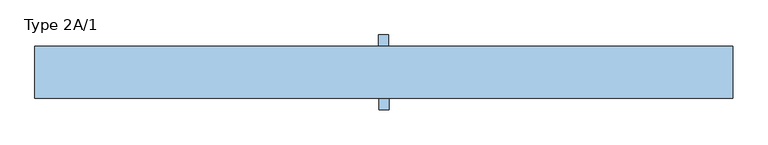
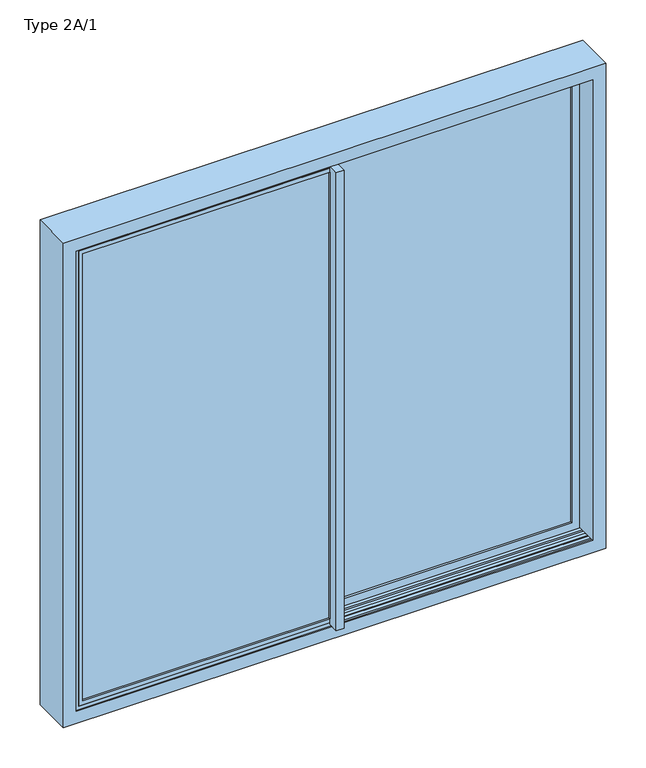
"""IFC4 building model written with IfcOpenShell, lengths in millimetres: window geometry, Type 2A/1."""

import ifcopenshell
import ifcopenshell.guid

model = None  # the IFC model being written
_history = None  # IfcOwnerHistory: only IFC2X3 demands one
_inside = {}  # id of a spatial element -> (the spatial element, [elements in it])
_under = {}  # id of a project, library or spatial element -> (it, [spatial elements below it])
_declared = {}  # id of a project -> (the project, [libraries it declares])
_typed = {}  # id of a type object -> (the type object, [elements of that type])
_made_of = {}  # id of a material, layer set ... -> (it, [elements and type objects made of it])


def new_model(schema):
    """Start an empty IFC model of exactly this schema.

    Asked for "IFC4X3", IfcOpenShell would pick the latest addendum, in which some entities
    have other attributes; the version numbers below select the first issue.
    IFC2X3 requires an IfcOwnerHistory on every rooted entity: one is made here for all.
    """
    global model, _history
    if schema == "IFC4X3":
        model = ifcopenshell.file(schema_version=(4, 3, 0, 0))
    else:
        model = ifcopenshell.file(schema=schema)
    _inside.clear()
    _under.clear()
    _declared.clear()
    _typed.clear()
    _made_of.clear()
    _history = None
    if model.schema == "IFC2X3":
        org = make("IfcOrganization", Name="unknown")
        user = make(
            "IfcPersonAndOrganization",
            ThePerson=make("IfcPerson", FamilyName="unknown"),
            TheOrganization=org,
        )
        app = make(
            "IfcApplication",
            ApplicationDeveloper=org,
            Version="unknown",
            ApplicationFullName="unknown",
            ApplicationIdentifier="unknown",
        )
        _history = make(
            "IfcOwnerHistory",
            OwningUser=user,
            OwningApplication=app,
            ChangeAction="ADDED",
            CreationDate=0,
        )
    return model


def make(cls, **values):
    """One entity of the class cls with the attributes given. An attribute that is None is left unset."""
    return model.create_entity(
        cls, **{name: value for name, value in values.items() if value is not None}
    )


def rooted(cls, **values):
    """An entity with a GlobalId (a new one), such as an element, a storey or a relation."""
    return make(cls, GlobalId=ifcopenshell.guid.new(), OwnerHistory=_history, **values)


def si_unit(unit_type, name, prefix=None):
    """IfcSIUnit, for example si_unit("LENGTHUNIT", "METRE", prefix="MILLI")."""
    return make("IfcSIUnit", UnitType=unit_type, Prefix=prefix, Name=name)


def assignment(units):
    """IfcUnitAssignment: the units of a project."""
    return None if units is None else make("IfcUnitAssignment", Units=units)


def point(xyz):
    """IfcCartesianPoint."""
    return None if xyz is None else make("IfcCartesianPoint", Coordinates=xyz)


def direction(xyz):
    """IfcDirection."""
    return None if xyz is None else make("IfcDirection", DirectionRatios=xyz)


def frame(location, z_axis=None, x_axis=None):
    """IfcAxis2Placement3D, a coordinate frame: its origin and axes. An axis left out is left unset."""
    return make(
        "IfcAxis2Placement3D",
        Location=point(location),
        Axis=direction(z_axis),
        RefDirection=direction(x_axis),
    )


def origin():
    """The frame at (0, 0, 0) with its axes left unset."""
    return frame((0.0, 0.0, 0.0))


def origin_with_axes():
    """The frame at (0, 0, 0) with the z axis (0, 0, 1) and the x axis (1, 0, 0) written out."""
    return frame((0.0, 0.0, 0.0), z_axis=(0.0, 0.0, 1.0), x_axis=(1.0, 0.0, 0.0))


def place(relative_to, where):
    """IfcLocalPlacement: puts the frame where relative to a parent placement (None: the world)."""
    return make(
        "IfcLocalPlacement", PlacementRelTo=relative_to, RelativePlacement=where
    )


def context(
    kind, dimensions, precision=None, world=None, true_north=None, identifier=None
):
    """IfcGeometricRepresentationContext, for example the 3D "Model" context."""
    return make(
        "IfcGeometricRepresentationContext",
        ContextIdentifier=identifier,
        ContextType=kind,
        CoordinateSpaceDimension=dimensions,
        Precision=precision,
        WorldCoordinateSystem=world,
        TrueNorth=true_north,
    )


def project(units=None, contexts=None):
    """IfcProject with its units and contexts."""
    return rooted(
        "IfcProject",
        Name="project",
        RepresentationContexts=contexts,
        UnitsInContext=assignment(units),
    )


def spatial(cls, under=None, at=None, **own):
    """A site, building, storey or space (cls), placed at a placement, below another one or the project."""
    s = rooted(cls, ObjectPlacement=at, **own)
    if under is not None:
        _under.setdefault(under.id(), (under, []))[1].append(s)
    return s


def polyline(points):
    """IfcPolyline through the points."""
    return make("IfcPolyline", Points=[point(p) for p in points])


def outline(outer, holes=None, kind="AREA"):
    """IfcArbitraryClosedProfileDef: a profile drawn as a closed curve; with holes, ...WithVoids."""
    if holes is None:
        return make("IfcArbitraryClosedProfileDef", ProfileType=kind, OuterCurve=outer)
    return make(
        "IfcArbitraryProfileDefWithVoids",
        ProfileType=kind,
        OuterCurve=outer,
        InnerCurves=holes,
    )


def extrude(swept, where, along, depth):
    """IfcExtrudedAreaSolid: the profile swept, set in the frame where, extruded along a direction by depth."""
    return make(
        "IfcExtrudedAreaSolid",
        SweptArea=swept,
        Position=where,
        ExtrudedDirection=direction(along),
        Depth=depth,
    )


def faces_of(points, faces, orient=None, outer=None):
    """IfcFace entities. A face is a list of loops; a loop is a list of indices into points, from 0.

    orient and outer hold one flag for each loop. By default every Orientation is true, the
    first loop of a face is its IfcFaceOuterBound and the others are IfcFaceBound.
    """
    made = []
    for i, loops in enumerate(faces):
        bounds = []
        for j, loop in enumerate(loops):
            is_outer = j == 0 if outer is None else outer[i][j]
            bounds.append(
                make(
                    "IfcFaceOuterBound" if is_outer else "IfcFaceBound",
                    Bound=make("IfcPolyLoop", Polygon=[points[k] for k in loop]),
                    Orientation=True if orient is None else orient[i][j],
                )
            )
        made.append(make("IfcFace", Bounds=bounds))
    return made


def faceted_brep(points, faces, orient=None, outer=None, voids=None):
    """IfcFacetedBrep: a solid bounded by flat faces; with voids (closed shells), ...WithVoids."""
    shared = [point(p) for p in points]
    hull = make("IfcClosedShell", CfsFaces=faces_of(shared, faces, orient, outer))
    if voids is None:
        return make("IfcFacetedBrep", Outer=hull)
    return make(
        "IfcFacetedBrepWithVoids",
        Outer=hull,
        Voids=[
            make(cls, CfsFaces=faces_of(shared, fs, o, b)) for cls, fs, o, b in voids
        ],
    )


def shape(context_of_items, identifier, shape_type, items):
    """IfcShapeRepresentation: the items that make up one representation, for example the "Body"."""
    return make(
        "IfcShapeRepresentation",
        ContextOfItems=context_of_items,
        RepresentationIdentifier=identifier,
        RepresentationType=shape_type,
        Items=items,
    )


def source(mapping_origin, context_of_items, identifier, shape_type, items):
    """IfcRepresentationMap: a shape defined once, which mapped items show again and again."""
    return make(
        "IfcRepresentationMap",
        MappingOrigin=mapping_origin,
        MappedRepresentation=shape(context_of_items, identifier, shape_type, items),
    )


def transform(
    local_origin,
    x_axis=None,
    y_axis=None,
    z_axis=None,
    scale=None,
    scale2=None,
    scale3=None,
    uniform=True,
):
    """IfcCartesianTransformationOperator3D, or its non-uniform kind. x_axis, y_axis, z_axis: its Axis1, 2, 3."""
    if uniform:
        return make(
            "IfcCartesianTransformationOperator3D",
            Axis1=direction(x_axis),
            Axis2=direction(y_axis),
            LocalOrigin=point(local_origin),
            Scale=scale,
            Axis3=direction(z_axis),
        )
    return make(
        "IfcCartesianTransformationOperator3DnonUniform",
        Axis1=direction(x_axis),
        Axis2=direction(y_axis),
        LocalOrigin=point(local_origin),
        Scale=scale,
        Axis3=direction(z_axis),
        Scale2=scale2,
        Scale3=scale3,
    )


def mapped(mapping_source, mapping_target):
    """IfcMappedItem: shows the shape of a source again, moved by a transform."""
    return make(
        "IfcMappedItem", MappingSource=mapping_source, MappingTarget=mapping_target
    )


def made_of(thing, what):
    """Note that an element or type object is made of a material, layer set ...; save() writes the relation."""
    if what is not None:
        _made_of.setdefault(what.id(), (what, []))[1].append(thing)
    return thing


def element(
    cls,
    number,
    at=None,
    inside=None,
    cuts=None,
    type_object=None,
    material=None,
    context=None,
    identifier="Body",
    shape_type=None,
    held_by="IfcProductDefinitionShape",
    body=None,
    shapes=None,
    **own,
):
    """One element of the class cls, such as IfcWall. Its Tag is "e" and its number.

    at: its placement. inside: the storey or other place that contains it. cuts: it is an
    opening in that element (IfcRelVoidsElement). A single representation is given by context,
    identifier, shape_type and body (its items); several are given by shapes. held_by: the class
    of the entity that holds the representations. save() writes the other relations.
    """
    e = rooted(cls, Tag="e%d" % number, ObjectPlacement=at, **own)
    if body is not None:
        shapes = [shape(context, identifier, shape_type, body)]
    if shapes is not None:
        e.Representation = make(held_by, Representations=shapes)
    if inside is not None:
        _inside.setdefault(inside.id(), (inside, []))[1].append(e)
    if cuts is not None:
        rooted(
            "IfcRelVoidsElement", RelatingBuildingElement=cuts, RelatedOpeningElement=e
        )
    if type_object is not None:
        _typed.setdefault(type_object.id(), (type_object, []))[1].append(e)
    return made_of(e, material)


def aggregate(whole, parts):
    """IfcRelAggregates: a whole, such as a stair, and the parts it consists of."""
    return rooted("IfcRelAggregates", RelatingObject=whole, RelatedObjects=parts)


def save(model, path):
    """Write the relations noted so far, then the file.

    IfcRelAggregates (storeys below a building ...), IfcRelContainedInSpatialStructure (elements
    in a storey), IfcRelDefinesByType, IfcRelAssociatesMaterial and IfcRelDeclares: one each for
    every whole, place, type object, material and project.
    """
    for whole, parts in _under.values():
        aggregate(whole, parts)
    for where, things in _inside.values():
        rooted(
            "IfcRelContainedInSpatialStructure",
            RelatedElements=things,
            RelatingStructure=where,
        )
    for kind, things in _typed.values():
        rooted("IfcRelDefinesByType", RelatedObjects=things, RelatingType=kind)
    for what, things in _made_of.values():
        rooted("IfcRelAssociatesMaterial", RelatedObjects=things, RelatingMaterial=what)
    for by, libraries in _declared.values():
        rooted("IfcRelDeclares", RelatingContext=by, RelatedDefinitions=libraries)
    model.write(path)


def type_2a_1_c97c4a6a(model_context):
    return source(origin(), model_context, "Body", "SolidModel", [
        extrude(outline(polyline([(2120.2000011, -3.279797), (12.7999989, -3.279797), (12.7999989, 1117.5000011), (2120.2000011, 1117.5000011), (2120.2000011, -3.279797)]), holes=[polyline([(2101.4202041, 1098.7202041), (31.5797959, 1098.7202041), (31.5797959, 15.5), (2101.4202041, 15.5), (2101.4202041, 1098.7202041)])]), frame((0.0, 132.2799866, 0.0), z_axis=(0.0, 1.0, 0.0), x_axis=(0.0, 0.0, 1.0)), (0.0, 0.0, 1.0), 7.7200134),
        faceted_brep([(1098.7202041, 73.0, 31.5797959), (1098.7202041, 83.0, 31.5797959), (17.8, 83.0, 31.5797959), (17.8, 73.0, 31.5797959), (-3.279797, 83.0, 12.7999989), (1117.5000011, 83.0, 12.7999989), (1117.5000011, 140.0, 12.7999989), (-3.279797, 140.0, 12.7999989), (-15.5, 137.5, -15.1996996), (-15.5, 140.0, -15.1996996), (1151.599999, 140.0, -15.1996996), (1151.599999, 73.0, -15.1996996), (-15.5, 73.0, -15.1996996), (-15.5, 75.4999999, -15.1996996), (1145.4996996, 75.4999999, -15.1996996), (1145.4996996, 137.5, -15.1996996), (-15.5, 137.5, 2.7998487), (-15.5, 75.4999999, 2.7998487), (-15.5, 73.0, 5.8356019), (-15.5, 53.5000069, 5.8356019), (-15.5, 53.5000069, 2127.2000011), (-15.5, 73.0, 2127.2000011), (-15.5, 73.0, 2148.1996996), (-15.5, 75.4999999, 2148.1996996), (-15.5, 75.4999999, 2130.2001513), (-15.5, 137.5, 2130.2001513), (-15.5, 137.5, 2148.1996996), (-15.5, 140.0, 2148.1996996), (1151.599999, 140.0, 2148.1996996), (1117.5000011, 140.0, 2120.2000011), (-3.279797, 140.0, 2120.2000011), (0.0, 73.0, 5.8356019), (1151.599999, 73.0, 2148.1996996), (0.0, 73.0, 2127.2000011), (1098.7202041, 73.0, 2101.4202041), (17.8, 73.0, 2101.4202041), (1117.5000011, 83.0, 2120.2000011), (-3.279797, 83.0, 2120.2000011), (1098.7202041, 83.0, 2101.4202041), (17.8, 83.0, 2101.4202041), (1145.4996996, 137.5, 2148.1996996), (1127.5001513, 137.5, 2130.2001513), (1127.5001513, 137.5, 2.7998487), (1127.5001513, 75.4999999, 2.7998487), (1127.5001513, 75.4999999, 2130.2001513), (1145.4996996, 75.4999999, 2148.1996996), (0.0, 53.5000069, 5.8356019), (0.0, 53.5000069, 2127.2000011)], [[[0, 1, 2, 3]], [[4, 5, 6, 7]], [[8, 9, 10, 11, 12, 13, 14, 15]], [[9, 8, 16, 17, 13, 12, 18, 19, 20, 21, 22, 23, 24, 25, 26, 27]], [[9, 27, 28, 10], [6, 29, 30, 7]], [[31, 18, 12, 11, 32, 22, 21, 33], [34, 0, 3, 35]], [[36, 5, 4, 37], [1, 38, 39, 2]], [[16, 8, 15, 40, 26, 25, 41, 42]], [[17, 16, 42, 43]], [[13, 17, 43, 44, 24, 23, 45, 14]], [[31, 46, 19, 18]], [[47, 20, 19, 46]], [[0, 34, 38, 1]], [[2, 39, 35, 3]], [[11, 10, 28, 32]], [[31, 33, 47, 46]], [[5, 36, 29, 6]], [[37, 4, 7, 30]], [[15, 14, 45, 40]], [[42, 41, 44, 43]], [[20, 47, 33, 21]], [[23, 22, 32, 28, 27, 26, 40, 45]], [[25, 24, 44, 41]], [[38, 34, 35, 39]], [[29, 36, 37, 30]]]),
        extrude(outline(polyline([(1117.5000011, 83.0), (-3.279797, 83.0), (-3.279797, 132.2799866), (1117.5000011, 132.2799866), (1117.5000011, 83.0)])), frame((0.0, 0.0, 12.7999989), z_axis=(0.0, 0.0, 1.0), x_axis=(1.0, 0.0, 0.0)), (0.0, 0.0, 1.0), 2107.4000022),
        extrude(outline(polyline([(15.5, 140.0), (-15.5, 140.0), (-15.5, 53.5000069), (-18.5, 53.5000069), (-18.5, 189.0000069), (15.5, 189.0000069), (15.5, 140.0)])), frame((0.0, 0.0, 5.8356019), z_axis=(0.0, 0.0, 1.0), x_axis=(1.0, 0.0, 0.0)), (0.0, 0.0, 1.0), 2121.3643992),
        extrude(outline(polyline([(2120.2000011, -1117.5000011), (12.7999989, -1117.5000011), (12.7999989, 3.279797), (2120.2000011, 3.279797), (2120.2000011, -1117.5000011)]), holes=[polyline([(2101.4202041, -15.5), (31.5797959, -15.5), (31.5797959, -1098.7202041), (2101.4202041, -1098.7202041), (2101.4202041, -15.5)])]), frame((0.0, -17.0, 0.0), z_axis=(0.0, 1.0, 0.0), x_axis=(0.0, 0.0, 1.0)), (0.0, 0.0, 1.0), 7.7200134),
        faceted_brep([(-1098.7202041, 50.0, 31.5797959), (-1098.7202041, 40.0, 31.5797959), (-17.8, 40.0, 31.5797959), (-17.8, 50.0, 31.5797959), (3.279797, 40.0, 12.7999989), (-1117.5000011, 40.0, 12.7999989), (-1117.5000011, -17.0, 12.7999989), (3.279797, -17.0, 12.7999989), (15.5, -14.5, -15.1996996), (15.5, -17.0, -15.1996996), (-1151.599999, -17.0, -15.1996996), (-1151.599999, 50.0, -15.1996996), (15.5, 50.0, -15.1996996), (15.5, 47.5000001, -15.1996996), (-1145.4996996, 47.5000001, -15.1996996), (-1145.4996996, -14.5, -15.1996996), (15.5, -14.5, 2.7998487), (15.5, 47.5000001, 2.7998487), (15.5, 50.0, 5.8356019), (15.5, 69.4999931, 5.8356019), (15.5, 69.4999931, 2127.2000011), (15.5, 50.0, 2127.2000011), (15.5, 50.0, 2148.1996996), (15.5, 47.5000001, 2148.1996996), (15.5, 47.5000001, 2130.2001513), (15.5, -14.5, 2130.2001513), (15.5, -14.5, 2148.1996996), (15.5, -17.0, 2148.1996996), (-1151.599999, -17.0, 2148.1996996), (-1117.5000011, -17.0, 2120.2000011), (3.279797, -17.0, 2120.2000011), (0.0, 50.0, 5.8356019), (-1151.599999, 50.0, 2148.1996996), (0.0, 50.0, 2127.2000011), (-1098.7202041, 50.0, 2101.4202041), (-17.8, 50.0, 2101.4202041), (-1117.5000011, 40.0, 2120.2000011), (3.279797, 40.0, 2120.2000011), (-1098.7202041, 40.0, 2101.4202041), (-17.8, 40.0, 2101.4202041), (-1145.4996996, -14.5, 2148.1996996), (-1127.5001513, -14.5, 2130.2001513), (-1127.5001513, -14.5, 2.7998487), (-1127.5001513, 47.5000001, 2.7998487), (-1127.5001513, 47.5000001, 2130.2001513), (-1145.4996996, 47.5000001, 2148.1996996), (0.0, 69.4999931, 5.8356019), (0.0, 69.4999931, 2127.2000011)], [[[0, 1, 2, 3]], [[4, 5, 6, 7]], [[8, 9, 10, 11, 12, 13, 14, 15]], [[9, 8, 16, 17, 13, 12, 18, 19, 20, 21, 22, 23, 24, 25, 26, 27]], [[9, 27, 28, 10], [6, 29, 30, 7]], [[31, 18, 12, 11, 32, 22, 21, 33], [34, 0, 3, 35]], [[36, 5, 4, 37], [1, 38, 39, 2]], [[16, 8, 15, 40, 26, 25, 41, 42]], [[17, 16, 42, 43]], [[13, 17, 43, 44, 24, 23, 45, 14]], [[31, 46, 19, 18]], [[47, 20, 19, 46]], [[0, 34, 38, 1]], [[2, 39, 35, 3]], [[11, 10, 28, 32]], [[31, 33, 47, 46]], [[5, 36, 29, 6]], [[37, 4, 7, 30]], [[15, 14, 45, 40]], [[42, 41, 44, 43]], [[20, 47, 33, 21]], [[23, 22, 32, 28, 27, 26, 40, 45]], [[25, 24, 44, 41]], [[38, 34, 35, 39]], [[29, 36, 37, 30]]]),
        extrude(outline(polyline([(-1117.5000011, 40.0), (3.279797, 40.0), (3.279797, -9.2799866), (-1117.5000011, -9.2799866), (-1117.5000011, 40.0)])), frame((0.0, 0.0, 12.7999989), z_axis=(0.0, 0.0, 1.0), x_axis=(1.0, 0.0, 0.0)), (0.0, 0.0, 1.0), 2107.4000022),
        extrude(outline(polyline([(-15.5, -17.0), (15.5, -17.0), (15.5, 69.4999931), (18.5, 69.4999931), (18.5, -66.0000069), (-15.5, -66.0000069), (-15.5, -17.0)])), frame((0.0, 0.0, 5.8356019), z_axis=(0.0, 0.0, 1.0), x_axis=(1.0, 0.0, 0.0)), (0.0, 0.0, 1.0), 2121.3643992),
        faceted_brep([(0.0, 53.5, 0.0), (0.0, 69.5, 0.0), (0.0, 69.5, -30.5), (0.0, 78.35, -30.5), (0.0, 78.35, 0.0), (0.0, 134.65, 0.0), (0.0, 134.65, -30.5), (0.0, 143.5, -30.5), (0.0, 143.5, 0.0), (0.0, 150.0, 0.0), (0.0, 150.0, 1.7), (0.0, 53.5, 1.7), (-1133.0, 53.5, 0.0), (-1133.0, 69.5, 0.0), (0.0, 69.5, 2133.0), (0.0, 69.5, 2163.5), (-1163.5, 69.5, 2163.5), (-1163.5, 69.5, -30.5), (-1133.0, 69.5, 2133.0), (-1163.5, 78.35, -30.5), (0.0, 78.35, 2163.5), (0.0, 78.35, 2133.0), (-1133.0, 78.35, 2133.0), (-1133.0, 78.35, 0.0), (-1163.5, 78.35, 2163.5), (-1133.0, 134.65, 0.0), (0.0, 134.65, 2133.0), (0.0, 134.65, 2163.5), (-1163.5, 134.65, 2163.5), (-1163.5, 134.65, -30.5), (-1133.0, 134.65, 2133.0), (-1163.5, 143.5, -30.5), (0.0, 143.5, 2163.5), (0.0, 143.5, 2133.0), (-1133.0, 143.5, 2133.0), (-1133.0, 143.5, 0.0), (-1163.5, 143.5, 2163.5), (-1133.0, 150.0, 0.0), (0.0, 150.0, 2133.0), (0.0, 150.0, 2131.3), (-1131.3, 150.0, 2131.3), (-1131.3, 150.0, 1.7), (-1133.0, 150.0, 2133.0), (-1131.3, 53.5, 1.7), (0.0, 53.5, 2131.3), (0.0, 53.5, 2133.0), (-1133.0, 53.5, 2133.0), (-1131.3, 53.5, 2131.3)], [[[0, 1, 2, 3, 4, 5, 6, 7, 8, 9, 10, 11]], [[12, 13, 1, 0]], [[14, 15, 16, 17, 2, 1, 13, 18]], [[17, 19, 3, 2]], [[20, 21, 22, 23, 4, 3, 19, 24]], [[23, 25, 5, 4]], [[26, 27, 28, 29, 6, 5, 25, 30]], [[29, 31, 7, 6]], [[32, 33, 34, 35, 8, 7, 31, 36]], [[35, 37, 9, 8]], [[38, 39, 40, 41, 10, 9, 37, 42]], [[41, 43, 11, 10]], [[44, 45, 46, 12, 0, 11, 43, 47]], [[40, 47, 43, 41]], [[34, 42, 37, 35]], [[28, 36, 31, 29]], [[22, 30, 25, 23]], [[16, 24, 19, 17]], [[46, 18, 13, 12]], [[45, 44, 39, 38, 33, 32, 27, 26, 21, 20, 15, 14]], [[39, 44, 47, 40]], [[33, 38, 42, 34]], [[27, 32, 36, 28]], [[21, 26, 30, 22]], [[15, 20, 24, 16]], [[45, 14, 18, 46]]]),
        extrude(outline(polyline([(1133.0, 69.5), (1133.0, 53.5), (1163.5, 53.5), (1163.5, 44.65), (1133.0, 44.65), (1133.0, -11.65), (1163.5, -11.65), (1163.5, -20.5), (1133.0, -20.5), (1133.0, -27.0), (1131.3, -27.0), (1131.3, 69.5), (1133.0, 69.5)])), origin_with_axes(), (0.0, 0.0, 1.0), 2133.2),
        faceted_brep([(-1190.0, -27.0, 2190.0), (-1190.0, 150.0, 2190.0), (-1190.0, 150.0, -57.0), (-1190.0, -27.0, -57.0), (1190.0, 150.0, -57.0), (1190.0, -27.0, -57.0), (1190.0, 150.0, 2190.0), (1133.0, 150.0, 0.0), (1133.0, 150.0, 2133.0), (-1133.0, 150.0, 2133.0), (-1133.0, 150.0, 0.0), (1190.0, -27.0, 2190.0), (-1133.0, -27.0, 0.0), (-1133.0, -27.0, 2133.0), (1133.0, -27.0, 2133.0), (1133.0, -27.0, 0.0), (-1133.0, -20.5, 2133.0), (-1133.0, -20.5, 0.0), (1133.0, -20.5, 0.0), (1133.0, -20.5, 2133.0), (-1163.5, -20.5, -30.5), (-1163.5, -20.5, 2163.5), (1163.5, -20.5, 2163.5), (1163.5, -20.5, -30.5), (-1163.5, 53.5, 2163.5), (-1163.5, 53.5, -30.5), (1163.5, 53.5, -30.5), (1163.5, 53.5, 2163.5), (-1133.0, 53.5, 0.0), (-1133.0, 53.5, 2133.0), (1133.0, 53.5, 2133.0), (1133.0, 53.5, 0.0), (-1133.0, 69.5, 2133.0), (-1133.0, 69.5, 0.0), (1133.0, 69.5, 0.0), (1133.0, 69.5, 2133.0), (-1163.5, 69.5, -30.5), (-1163.5, 69.5, 2163.5), (1163.5, 69.5, 2163.5), (1163.5, 69.5, -30.5), (-1163.5, 143.5, 2163.5), (-1163.5, 143.5, -30.5), (1163.5, 143.5, -30.5), (1163.5, 143.5, 2163.5), (-1133.0, 143.5, 0.0), (-1133.0, 143.5, 2133.0), (1133.0, 143.5, 2133.0), (1133.0, 143.5, 0.0)], [[[0, 1, 2, 3]], [[3, 2, 4, 5]], [[2, 1, 6, 4], [7, 8, 9, 10]], [[5, 4, 6, 11]], [[5, 11, 0, 3], [12, 13, 14, 15]], [[16, 13, 12, 17]], [[17, 12, 15, 18]], [[18, 15, 14, 19]], [[20, 21, 22, 23], [18, 19, 16, 17]], [[24, 21, 20, 25]], [[25, 20, 23, 26]], [[26, 23, 22, 27]], [[26, 27, 24, 25], [28, 29, 30, 31]], [[32, 29, 28, 33]], [[33, 28, 31, 34]], [[34, 31, 30, 35]], [[36, 37, 38, 39], [34, 35, 32, 33]], [[40, 37, 36, 41]], [[41, 36, 39, 42]], [[42, 39, 38, 43]], [[42, 43, 40, 41], [44, 45, 46, 47]], [[9, 45, 44, 10]], [[10, 44, 47, 7]], [[7, 47, 46, 8]], [[11, 6, 1, 0]], [[19, 14, 13, 16]], [[27, 22, 21, 24]], [[35, 30, 29, 32]], [[43, 38, 37, 40]], [[8, 46, 45, 9]]]),
        extrude(outline(polyline([(80.0, -30.5), (80.0, -0.2), (96.2954822, -0.2), (106.5, -4.9584448), (116.7045178, -0.2), (133.0, -0.2), (133.0, -30.5), (80.0, -30.5)])), frame((-1163.5, 0.0, 0.0), z_axis=(1.0, 0.0, 0.0), x_axis=(0.0, 1.0, 0.0)), (0.0, 0.0, 1.0), 2327.0),
        extrude(outline(polyline([(43.0, -30.5), (-10.0, -30.5), (-10.0, -0.2), (6.2954822, -0.2), (16.5, -4.9584448), (26.7045178, -0.2), (43.0, -0.2), (43.0, -30.5)])), frame((-1163.5, 0.0, 0.0), z_axis=(1.0, 0.0, 0.0), x_axis=(0.0, 1.0, 0.0)), (0.0, 0.0, 1.0), 2327.0),
    ])


if __name__ == "__main__":
    model = new_model("IFC4")
    model_context = context("Model", 3, world=origin())
    ifc_project = project(units=[si_unit("LENGTHUNIT", "METRE", prefix="MILLI")], contexts=[model_context])
    site = spatial("IfcSite", under=ifc_project)
    building = spatial("IfcBuilding", under=site)
    placement = place(None, origin())
    type_2a_1_shape = type_2a_1_c97c4a6a(model_context)
    element("IfcWindow", 1, ObjectType="Type 2A/1", at=placement, inside=building, context=model_context, shape_type="MappedRepresentation", body=[
        mapped(type_2a_1_shape, transform((0.0, 0.0, 0.0), x_axis=(1.0, 0.0, 0.0), y_axis=(0.0, 1.0, 0.0), z_axis=(0.0, 0.0, 1.0))),
    ])
    save(model, "model.ifc")
